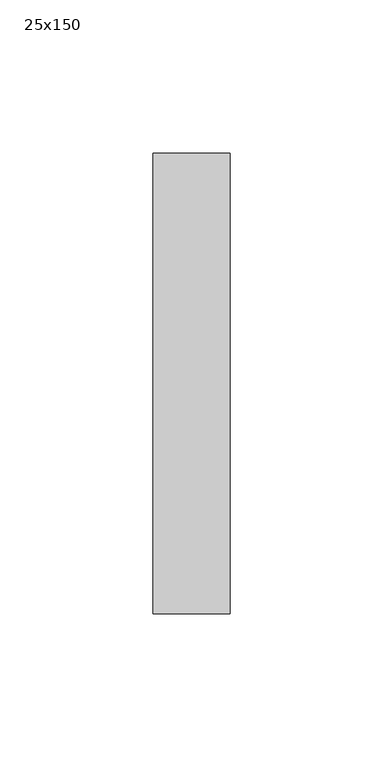
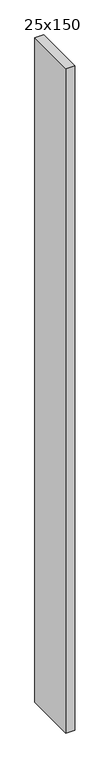
"""IFC4 building model written with IfcOpenShell, lengths in millimetres: member geometry, 25x150."""

from ifc_helpers import new_model, si_unit, frame, origin, place, context, project, spatial, polyline, outline, extrude, source, transform, mapped, element, save


def member_25x150_181524d6(model_context):
    return source(origin(), model_context, "Body", "SweptSolid", [
        extrude(outline(polyline([(0.0, 75.0), (0.0, -75.0), (-25.0, -75.0), (-25.0, 75.0), (0.0, 75.0)])), frame((0.0, 0.0, -1971.4285714), z_axis=(0.0, 0.0, 1.0), x_axis=(1.0, 0.0, 0.0)), (0.0, 0.0, 1.0), 1971.4285714),
    ])


if __name__ == "__main__":
    model = new_model("IFC4")
    model_context = context("Model", 3, world=origin())
    ifc_project = project(units=[si_unit("LENGTHUNIT", "METRE", prefix="MILLI")], contexts=[model_context])
    site = spatial("IfcSite", under=ifc_project)
    building = spatial("IfcBuilding", under=site)
    placement = place(None, origin())
    member_25x150_shape = member_25x150_181524d6(model_context)
    element("IfcMember", 1, ObjectType="25x150", at=placement, inside=building, context=model_context, shape_type="MappedRepresentation", body=[
        mapped(member_25x150_shape, transform((0.0, 0.0, 0.0), x_axis=(1.0, 0.0, 0.0), y_axis=(0.0, 1.0, 0.0), z_axis=(0.0, 0.0, 1.0))),
    ])
    save(model, "model.ifc")
